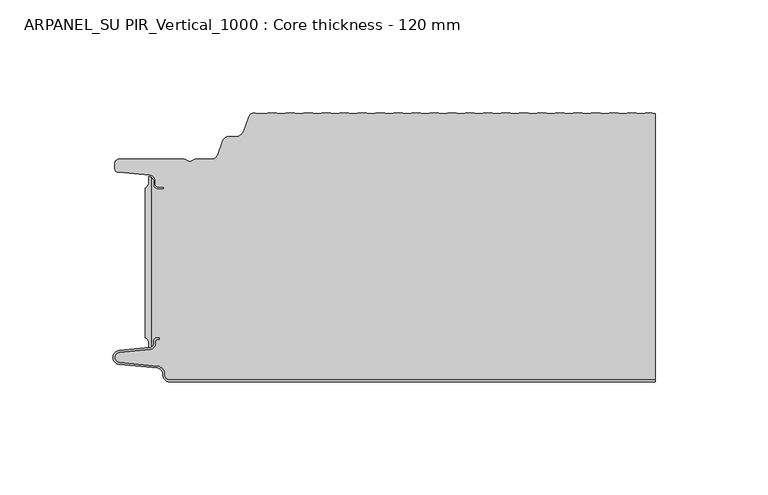
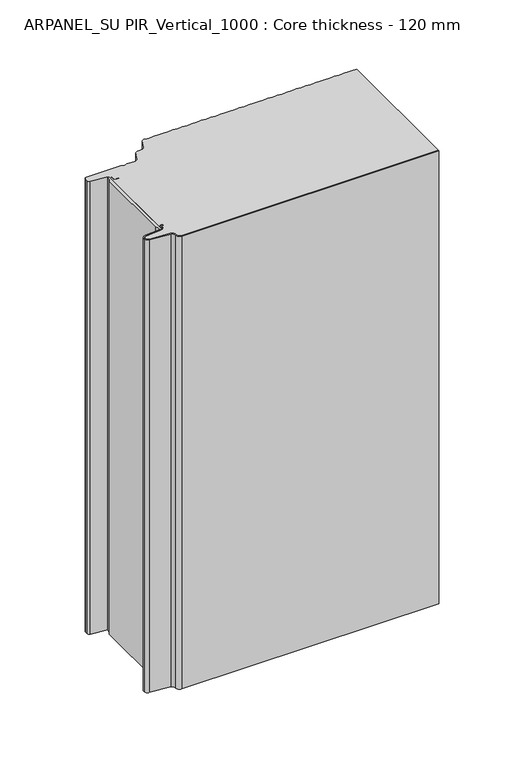
"""IFC4 building model written with IfcOpenShell, lengths in millimetres: plate geometry, ARPANEL_SU PIR_Vertical_1000 : Core thickness - 120 mm."""

from ifc_helpers import new_model, si_unit, point, frame, frame_2d, origin, origin_with_axes, place, context, project, spatial, polyline, circle_curve, trimmed, segment, composite_curve, outline, extrude, source, transform, mapped, element, save
from ifc_brep_helpers import plane_surface, cylinder_surface, revolved_surface, advanced_brep


def arpanel_su_pir_vertical_1000_core_thickness_120_mm_f43588a2(model_context):
    return source(origin(), model_context, "Body", "SolidModel", [
        extrude(outline(composite_curve([segment(polyline([(-105.6703125, -100.4998404), (-105.6703125, -34.0457975)]), True, "CONTINUOUS"), segment(trimmed(circle_curve(frame_2d((-106.6104834, -31.8050435)), 2.43), [point((-105.6703125, -34.0457975))], [point((-104.1827962, -31.6990483))], True, "CARTESIAN"), True, "CONTINUOUS"), segment(polyline([(-104.1827962, -31.6990483), (-104.1827962, -29.1072781)]), True, "CONTINUOUS"), segment(trimmed(circle_curve(frame_2d((-104.153332, -31.5658353)), 2.4587337), [point((-104.1827962, -29.1072781))], [point((-103.1249998, -29.3324736))], False, "CARTESIAN"), True, "CONTINUOUS"), segment(polyline([(-103.1249998, -29.3324736), (-103.1249998, -104.6039532)]), True, "CONTINUOUS"), segment(trimmed(circle_curve(frame_2d((-104.1687689, -102.3777641)), 2.4587337), [point((-103.1249998, -104.6039532))], [point((-104.1827962, -104.8364579))], False, "CARTESIAN"), True, "CONTINUOUS"), segment(polyline([(-104.1827962, -104.8364579), (-104.1827962, -102.8465895)]), True, "CONTINUOUS"), segment(trimmed(circle_curve(frame_2d((-106.6104834, -102.7405944)), 2.43), [point((-104.1827962, -102.8465895))], [point((-105.6703125, -100.4998404))], True, "CARTESIAN"), True, "CONTINUOUS")], self_intersect=False)), origin_with_axes(), (0.0, 0.0, 1.0), 400.0),
        advanced_brep(
        [(-94.8000003, -119.9996949, 0.0), (-97.9923632, -116.5787437, 0.0), (-100.2560431, -113.9171154, 0.0), (-117.2115315, -112.2546153, 0.0), (-119.9999998, -109.1776715, 0.0), (-117.2115315, -106.1007278, 0.0), (-103.6195785, -104.7680252, 0.0), (-101.9952277, -102.9766159, 0.0), (-101.9952277, -101.8996949, 0.0), (-100.5952277, -100.4996949, 0.0), (-99.4952277, -100.4996949, 0.0), (-99.4952277, -101.2996949, 0.0), (-100.5952277, -101.2996949, 0.0), (-101.1952277, -101.8996949, 0.0), (-101.1952277, -102.9766159, 0.0), (-103.5415122, -105.5642071, 0.0), (-117.1334652, -106.8969097, 0.0), (-119.1999997, -109.1776715, 0.0), (-117.1334652, -111.4584333, 0.0), (-100.1779767, -113.1209335, 0.0), (-97.2078761, -116.6330399, 0.0), (-94.8000003, -119.1996949, 0.0), (119.9999998, -119.2, 0.0), (119.9999998, -119.9996949, 0.0), (-94.8000003, -119.1996949, 400.0), (-97.1942724, -116.6339815, 400.0), (-100.1779767, -113.1209335, 400.0), (-117.1334652, -111.4584333, 400.0), (-119.1999997, -109.1776715, 400.0), (-117.1334652, -106.8969097, 400.0), (-103.5415122, -105.5642071, 400.0), (-101.1952277, -102.9766159, 400.0), (-101.1952277, -101.8996949, 400.0), (-100.5952277, -101.2996949, 400.0), (-99.4952277, -101.2996949, 400.0), (-99.4952277, -100.4996949, 400.0), (-100.5952277, -100.4996949, 400.0), (-101.9952277, -101.8996949, 400.0), (-101.9952277, -102.9766159, 400.0), (-103.6195785, -104.7680252, 400.0), (-117.2115315, -106.1007278, 400.0), (-119.9999998, -109.1776715, 400.0), (-117.2115315, -112.2546153, 400.0), (-100.2560431, -113.9171154, 400.0), (-98.0059668, -116.5778021, 400.0), (-94.8000003, -119.9996949, 400.0), (119.9999998, -119.9996949, 400.0), (119.9999998, -119.2, 400.0)],
        [
            (0, 1, circle_curve(frame((-94.8000003, -116.7996949, 0.0), z_axis=(0.0, 0.0, -1.0), x_axis=(1.0, 0.0, 0.0)), 3.2)),
            (1, 2, circle_curve(frame((-100.5000003, -116.4051839, 0.0), z_axis=(0.0, 0.0, 1.0), x_axis=(1.0, 0.0, 0.0)), 2.5)),
            (2, 3),
            (3, 4, circle_curve(frame((-116.9100003, -109.1793626, 0.0), z_axis=(0.0, 0.0, -1.0), x_axis=(1.0, 0.0, 0.0)), 3.09)),
            (4, 5, circle_curve(frame((-116.9100003, -109.1759805, 0.0), z_axis=(0.0, 0.0, -1.0), x_axis=(1.0, 0.0, 0.0)), 3.09)),
            (5, 6),
            (6, 7, circle_curve(frame((-103.7952277, -102.9766159, 0.0), z_axis=(0.0, 0.0, 1.0), x_axis=(1.0, 0.0, 0.0)), 1.8)),
            (7, 8),
            (8, 9, circle_curve(frame((-100.5952277, -101.8996949, 0.0), z_axis=(0.0, 0.0, -1.0), x_axis=(1.0, 0.0, 0.0)), 1.4)),
            (9, 10),
            (10, 11),
            (11, 12),
            (12, 13, circle_curve(frame((-100.5952277, -101.8996949, 0.0), z_axis=(0.0, 0.0, 1.0), x_axis=(1.0, 0.0, 0.0)), 0.6)),
            (13, 14),
            (14, 15, circle_curve(frame((-103.7952277, -102.9766159, 0.0), z_axis=(0.0, 0.0, -1.0), x_axis=(1.0, 0.0, 0.0)), 2.6)),
            (15, 16),
            (16, 17, circle_curve(frame((-116.9100003, -109.1759805, 0.0), z_axis=(0.0, 0.0, 1.0), x_axis=(1.0, 0.0, 0.0)), 2.29)),
            (17, 18, circle_curve(frame((-116.9100003, -109.1793626, 0.0), z_axis=(0.0, 0.0, 1.0), x_axis=(1.0, 0.0, 0.0)), 2.29)),
            (18, 19),
            (19, 20, circle_curve(frame((-100.5000003, -116.4051839, 0.0), z_axis=(0.0, 0.0, -1.0), x_axis=(1.0, 0.0, 0.0)), 3.3)),
            (20, 21, circle_curve(frame((-94.8000003, -116.7996949, 0.0), z_axis=(0.0, 0.0, 1.0), x_axis=(1.0, 0.0, 0.0)), 2.4)),
            (21, 22),
            (22, 23),
            (23, 0),
            (24, 25, circle_curve(frame((-94.8000003, -116.7996949, 400.0), z_axis=(0.0, 0.0, -1.0), x_axis=(1.0, 0.0, 0.0)), 2.4)),
            (25, 26, circle_curve(frame((-100.5000003, -116.4051839, 400.0), z_axis=(0.0, 0.0, 1.0), x_axis=(1.0, 0.0, 0.0)), 3.3)),
            (26, 27),
            (27, 28, circle_curve(frame((-116.9100003, -109.1793626, 400.0), z_axis=(0.0, 0.0, -1.0), x_axis=(1.0, 0.0, 0.0)), 2.29)),
            (28, 29, circle_curve(frame((-116.9100003, -109.1759805, 400.0), z_axis=(0.0, 0.0, -1.0), x_axis=(1.0, 0.0, 0.0)), 2.29)),
            (29, 30),
            (30, 31, circle_curve(frame((-103.7952277, -102.9766159, 400.0), z_axis=(0.0, 0.0, 1.0), x_axis=(1.0, 0.0, 0.0)), 2.6)),
            (31, 32),
            (32, 33, circle_curve(frame((-100.5952277, -101.8996949, 400.0), z_axis=(0.0, 0.0, -1.0), x_axis=(1.0, 0.0, 0.0)), 0.6)),
            (33, 34),
            (34, 35),
            (35, 36),
            (36, 37, circle_curve(frame((-100.5952277, -101.8996949, 400.0), z_axis=(0.0, 0.0, 1.0), x_axis=(1.0, 0.0, 0.0)), 1.4)),
            (37, 38),
            (38, 39, circle_curve(frame((-103.7952277, -102.9766159, 400.0), z_axis=(0.0, 0.0, -1.0), x_axis=(1.0, 0.0, 0.0)), 1.8)),
            (39, 40),
            (40, 41, circle_curve(frame((-116.9100003, -109.1759805, 400.0), z_axis=(0.0, 0.0, 1.0), x_axis=(1.0, 0.0, 0.0)), 3.09)),
            (41, 42, circle_curve(frame((-116.9100003, -109.1793626, 400.0), z_axis=(0.0, 0.0, 1.0), x_axis=(1.0, 0.0, 0.0)), 3.09)),
            (42, 43),
            (43, 44, circle_curve(frame((-100.5000003, -116.4051839, 400.0), z_axis=(0.0, 0.0, -1.0), x_axis=(1.0, 0.0, 0.0)), 2.5)),
            (44, 45, circle_curve(frame((-94.8000003, -116.7996949, 400.0), z_axis=(0.0, 0.0, 1.0), x_axis=(1.0, 0.0, 0.0)), 3.2)),
            (45, 46),
            (46, 47),
            (47, 24),
            (21, 24),
            (47, 22),
            (20, 25),
            (19, 26),
            (18, 27),
            (17, 28),
            (16, 29),
            (15, 30),
            (14, 31),
            (13, 32),
            (12, 33),
            (11, 34),
            (10, 35),
            (9, 36),
            (8, 37),
            (7, 38),
            (6, 39),
            (5, 40),
            (4, 41),
            (3, 42),
            (2, 43),
            (1, 44),
            (0, 45),
            (23, 46),
        ],
        [
            plane_surface(frame((-119.9999998, -120.0, 0.0), z_axis=(0.0, 0.0, -1.0), x_axis=(0.0, 1.0, 0.0))),
            plane_surface(frame((-119.9999998, -120.0, 400.0), z_axis=(0.0, 0.0, 1.0), x_axis=(0.0, 1.0, 0.0))),
            plane_surface(frame((-94.8000003, -119.2, 0.0), z_axis=(0.0, 1.0, 0.0), x_axis=(0.0, 0.0, 1.0))),
            revolved_surface(polyline([(-92.40000029999999, -116.7996949, 400.0), (-92.40000029999999, -116.7996949, 0.0)]), (-94.8000003, -116.7996949, 0.0), (0.0, 0.0, 1.0)),
            cylinder_surface(frame((-100.5000003, -116.4051839, 0.0), z_axis=(0.0, 0.0, -1.0), x_axis=(1.0, 0.0, 0.0)), 3.3),
            plane_surface(frame((-117.1334652, -111.4584333, 0.0), z_axis=(0.09758289975914758, 0.9952273999818314, 0.0), x_axis=(0.0, 0.0, 1.0))),
            revolved_surface(polyline([(-114.62000029999999, -109.1793626, 400.0), (-114.62000029999999, -109.1793626, 0.0)]), (-116.9100003, -109.1793626, 0.0), (0.0, 0.0, 1.0)),
            revolved_surface(polyline([(-114.62000029999999, -109.1759805, 400.0), (-114.62000029999999, -109.1759805, 0.0)]), (-116.9100003, -109.1759805, 0.0), (0.0, 0.0, 1.0)),
            plane_surface(frame((-103.5415122, -105.5642071, 0.0), z_axis=(0.09758289975914383, -0.9952273999818317, 0.0), x_axis=(0.0, 0.0, 1.0))),
            cylinder_surface(frame((-103.7952277, -102.9766159, 0.0), z_axis=(0.0, 0.0, -1.0), x_axis=(1.0, 0.0, 0.0)), 2.6),
            plane_surface(frame((-101.1952277, -101.8996949, 0.0), z_axis=(1.0, 0.0, 0.0), x_axis=(0.0, 0.0, 1.0))),
            revolved_surface(polyline([(-99.9952277, -101.8996949, 400.0), (-99.9952277, -101.8996949, 0.0)]), (-100.5952277, -101.8996949, 0.0), (0.0, 0.0, 1.0)),
            plane_surface(frame((-99.4952277, -101.2996949, 0.0), z_axis=(0.0, -1.0, 0.0), x_axis=(0.0, 0.0, 1.0))),
            plane_surface(frame((-99.4952277, -100.4996949, 0.0), z_axis=(1.0, 0.0, 0.0), x_axis=(0.0, 0.0, 1.0))),
            plane_surface(frame((-100.5952277, -100.4996949, 0.0), z_axis=(0.0, 1.0, 0.0), x_axis=(0.0, 0.0, 1.0))),
            cylinder_surface(frame((-100.5952277, -101.8996949, 0.0), z_axis=(0.0, 0.0, -1.0), x_axis=(1.0, 0.0, 0.0)), 1.4),
            plane_surface(frame((-101.9952277, -102.9766159, 0.0), z_axis=(-1.0, 0.0, 0.0), x_axis=(0.0, 0.0, 1.0))),
            revolved_surface(polyline([(-101.9952277, -102.9766159, 400.0), (-101.9952277, -102.9766159, 0.0)]), (-103.7952277, -102.9766159, 0.0), (0.0, 0.0, 1.0)),
            plane_surface(frame((-117.2115315, -106.1007278, 0.0), z_axis=(-0.09758289975914387, 0.9952273999818317, 0.0), x_axis=(0.0, 0.0, 1.0))),
            cylinder_surface(frame((-116.9100003, -109.1759805, 0.0), z_axis=(0.0, 0.0, -1.0), x_axis=(1.0, 0.0, 0.0)), 3.09),
            cylinder_surface(frame((-116.9100003, -109.1793626, 0.0), z_axis=(0.0, 0.0, -1.0), x_axis=(1.0, 0.0, 0.0)), 3.09),
            plane_surface(frame((-100.2560431, -113.9171154, 0.0), z_axis=(-0.09758289975914762, -0.9952273999818314, 0.0), x_axis=(0.0, 0.0, 1.0))),
            revolved_surface(polyline([(-98.0000003, -116.4051839, 400.0), (-98.0000003, -116.4051839, 0.0)]), (-100.5000003, -116.4051839, 0.0), (0.0, 0.0, 1.0)),
            cylinder_surface(frame((-94.8000003, -116.7996949, 0.0), z_axis=(0.0, 0.0, -1.0), x_axis=(1.0, 0.0, 0.0)), 3.2),
            plane_surface(frame((895.8951806, -119.9996949, 0.0), z_axis=(0.0, -1.0, 0.0), x_axis=(0.0, 0.0, 1.0))),
            plane_surface(frame((119.9999998, 180.0, 400.0), z_axis=(1.0, 0.0, 0.0), x_axis=(0.0, 0.0, -1.0))),
        ],
        [
            (0, [[1, 2, 3, 4, 5, 6, 7, 8, 9, 10, 11, 12, 13, 14, 15, 16, 17, 18, 19, 20, 21, 22, 23, 24]]),
            (1, [[25, 26, 27, 28, 29, 30, 31, 32, 33, 34, 35, 36, 37, 38, 39, 40, 41, 42, 43, 44, 45, 46, 47, 48]]),
            (2, [[49, -48, 50, -22]]),
            (3, [[-21, 51, -25, -49]]),
            (4, [[-20, 52, -26, -51]]),
            (5, [[-19, 53, -27, -52]]),
            (6, [[-18, 54, -28, -53]]),
            (7, [[-17, 55, -29, -54]]),
            (8, [[-16, 56, -30, -55]]),
            (9, [[-15, 57, -31, -56]]),
            (10, [[-14, 58, -32, -57]]),
            (11, [[-13, 59, -33, -58]]),
            (12, [[-12, 60, -34, -59]]),
            (13, [[-11, 61, -35, -60]]),
            (14, [[-10, 62, -36, -61]]),
            (15, [[-9, 63, -37, -62]]),
            (16, [[-8, 64, -38, -63]]),
            (17, [[-7, 65, -39, -64]]),
            (18, [[-6, 66, -40, -65]]),
            (19, [[-5, 67, -41, -66]]),
            (20, [[-4, 68, -42, -67]]),
            (21, [[-3, 69, -43, -68]]),
            (22, [[-2, 70, -44, -69]]),
            (23, [[-1, 71, -45, -70]]),
            (24, [[-71, -24, 72, -46]]),
            (25, [[-23, -50, -47, -72]]),
        ],
    ),
        advanced_brep(
        [(-45.4209945, -1.2401608, 400.0), (-49.3959945, -0.7842469, 400.0), (-53.3709945, -1.2401608, 400.0), (-56.974295, -0.8268791, 400.0), (-59.9575556, -2.6832307, 400.0), (-62.1915348, -8.821038, 400.0), (-65.8165278, -11.3209755, 400.0), (-68.7504363, -11.3209755, 400.0), (-71.4097075, -13.1828966, 400.0), (-73.7017226, -19.4789642, 400.0), (-76.3328037, -21.3211477, 400.0), (-83.355028, -21.3211477, 400.0), (-84.4794723, -21.7461477, 400.0), (-87.5220864, -21.7461477, 400.0), (-88.6465307, -21.3211477, 400.0), (-117.3699998, -21.3211477, 400.0), (-119.1999998, -23.1511477, 400.0), (-119.1999998, -25.314536, 400.0), (-117.5294949, -27.1375723, 400.0), (-103.7559637, -28.3426003, 400.0), (-101.1999998, -31.1319454, 400.0), (-101.1999998, -32.5211477, 400.0), (-99.9999998, -33.7211477, 400.0), (-97.4999998, -33.7211477, 400.0), (-97.4999998, -34.5211477, 400.0), (-99.9999998, -34.5211477, 400.0), (-101.9999998, -32.5211477, 400.0), (-101.9999998, -31.1319454, 400.0), (-103.1249998, -29.3335086, 400.0), (-103.1249998, -104.647183, 400.0), (-101.9952277, -102.9766159, 400.0), (-101.9952277, -101.8996949, 400.0), (-100.5952277, -100.4996949, 400.0), (-99.4952277, -100.4996949, 400.0), (-99.4952277, -101.2996949, 400.0), (-100.5952277, -101.2996949, 400.0), (-101.1952277, -101.8996949, 400.0), (-101.1952277, -102.9766159, 400.0), (-103.5415122, -105.5642071, 400.0), (-117.1334652, -106.8969097, 400.0), (-119.1999997, -109.1776715, 400.0), (-117.1334652, -111.4584333, 400.0), (-100.1779767, -113.1209335, 400.0), (-97.2078761, -116.6330399, 400.0), (-94.8000003, -119.1996949, 400.0), (119.9999998, -119.2, 400.0), (119.9999998, -1.064791, 400.0), (117.5540055, -0.7842469, 400.0), (113.5790055, -1.2401608, 400.0), (109.6040055, -0.7842469, 400.0), (105.6290055, -1.2401608, 400.0), (101.6540055, -0.7842469, 400.0), (97.6790055, -1.2401608, 400.0), (93.7040055, -0.7842469, 400.0), (89.7290055, -1.2401608, 400.0), (85.7540055, -0.7842469, 400.0), (81.7790055, -1.2401608, 400.0), (77.8040055, -0.7842469, 400.0), (73.8290055, -1.2401608, 400.0), (69.8540055, -0.7842469, 400.0), (65.8790055, -1.2401608, 400.0), (61.9040055, -0.7842469, 400.0), (57.9290055, -1.2401608, 400.0), (53.9540055, -0.7842469, 400.0), (49.9790055, -1.2401608, 400.0), (46.0040055, -0.7842469, 400.0), (42.0290055, -1.2401608, 400.0), (38.0540055, -0.7842469, 400.0), (34.0790055, -1.2401608, 400.0), (30.1040055, -0.7842469, 400.0), (26.1290055, -1.2401608, 400.0), (22.1540055, -0.7842469, 400.0), (18.1790055, -1.2401608, 400.0), (14.2040055, -0.7842469, 400.0), (10.2290055, -1.2401608, 400.0), (6.2540055, -0.7842469, 400.0), (2.2790055, -1.2401608, 400.0), (-1.6959945, -0.7842469, 400.0), (-5.6709945, -1.2401608, 400.0), (-9.6459945, -0.7842469, 400.0), (-13.6209945, -1.2401608, 400.0), (-17.5959945, -0.7842469, 400.0), (-21.5709945, -1.2401608, 400.0), (-25.5459945, -0.7842469, 400.0), (-29.5209945, -1.2401608, 400.0), (-33.4959945, -0.7842469, 400.0), (-37.4709945, -1.2401608, 400.0), (-41.4459945, -0.7842469, 400.0), (-49.3959945, -0.7842469, 0.0), (-45.4209945, -1.2401608, 0.0), (-41.4459945, -0.7842469, 0.0), (-37.4709945, -1.2401608, 0.0), (-33.4959945, -0.7842469, 0.0), (-29.5209945, -1.2401608, 0.0), (-25.5459945, -0.7842469, 0.0), (-21.5709945, -1.2401608, 0.0), (-17.5959945, -0.7842469, 0.0), (-13.6209945, -1.2401608, 0.0), (-9.6459945, -0.7842469, 0.0), (-5.6709945, -1.2401608, 0.0), (-1.6959945, -0.7842469, 0.0), (2.2790055, -1.2401608, 0.0), (6.2540055, -0.7842469, 0.0), (10.2290055, -1.2401608, 0.0), (14.2040055, -0.7842469, 0.0), (18.1790055, -1.2401608, 0.0), (22.1540055, -0.7842469, 0.0), (26.1290055, -1.2401608, 0.0), (30.1040055, -0.7842469, 0.0), (34.0790055, -1.2401608, 0.0), (38.0540055, -0.7842469, 0.0), (42.0290055, -1.2401608, 0.0), (46.0040055, -0.7842469, 0.0), (49.9790055, -1.2401608, 0.0), (53.9540055, -0.7842469, 0.0), (57.9290055, -1.2401608, 0.0), (61.9040055, -0.7842469, 0.0), (65.8790055, -1.2401608, 0.0), (69.8540055, -0.7842469, 0.0), (73.8290055, -1.2401608, 0.0), (77.8040055, -0.7842469, 0.0), (81.7790055, -1.2401608, 0.0), (85.7540055, -0.7842469, 0.0), (89.7290055, -1.2401608, 0.0), (93.7040055, -0.7842469, 0.0), (97.6790055, -1.2401608, 0.0), (101.6540055, -0.7842469, 0.0), (105.6290055, -1.2401608, 0.0), (109.6040055, -0.7842469, 0.0), (113.5790055, -1.2401608, 0.0), (117.5540055, -0.7842469, 0.0), (119.9999998, -1.064791, 0.0), (119.9999998, -119.2, 0.0), (-94.8000003, -119.2, 0.0), (-97.1942724, -116.6339815, 0.0), (-100.1779767, -113.1209335, 0.0), (-117.1334652, -111.4584333, 0.0), (-119.1999997, -109.1776715, 0.0), (-117.1334652, -106.8969097, 0.0), (-103.5415122, -105.5642071, 0.0), (-101.1952277, -102.9766159, 0.0), (-101.1952277, -101.8996949, 0.0), (-100.5952277, -101.2996949, 0.0), (-99.4952277, -101.2996949, 0.0), (-99.4952277, -100.4996949, 0.0), (-100.5952277, -100.4996949, 0.0), (-101.9952277, -101.8996949, 0.0), (-101.9952277, -102.9766159, 0.0), (-103.1249998, -104.647183, 0.0), (-103.1249998, -29.3335086, 0.0), (-101.9999998, -31.1319454, 0.0), (-101.9999998, -32.5211477, 0.0), (-99.9999998, -34.5211477, 0.0), (-97.4999998, -34.5211477, 0.0), (-97.4999998, -33.7211477, 0.0), (-99.9999998, -33.7211477, 0.0), (-101.1999998, -32.5211477, 0.0), (-101.1999998, -31.1319454, 0.0), (-103.7559637, -28.3426003, 0.0), (-117.5294949, -27.1375723, 0.0), (-119.1999998, -25.314536, 0.0), (-119.1999998, -23.1511477, 0.0), (-117.3699998, -21.3211477, 0.0), (-88.6465307, -21.3211477, 0.0), (-87.5220864, -21.7461477, 0.0), (-84.4794723, -21.7461477, 0.0), (-83.355028, -21.3211477, 0.0), (-76.3328037, -21.3211477, 0.0), (-73.7017226, -19.4789642, 0.0), (-71.4097075, -13.1828966, 0.0), (-68.7504363, -11.3209755, 0.0), (-65.8165278, -11.3209755, 0.0), (-62.1915348, -8.821038, 0.0), (-59.9575556, -2.6832307, 0.0), (-56.9757518, -0.8395804, 0.0), (-53.3709945, -1.2401608, 0.0)],
        [
            (0, 1),
            (1, 2),
            (2, 3),
            (3, 4, circle_curve(frame((-57.2982255, -3.6511477, 400.0), z_axis=(0.0, 0.0, 1.0), x_axis=(1.0, 0.0, 0.0)), 2.83)),
            (4, 5),
            (5, 6, circle_curve(frame((-65.7623667, -7.5213615, 400.0), z_axis=(0.0, 0.0, -1.0), x_axis=(1.0, 0.0, 0.0)), 3.8)),
            (6, 7),
            (7, 8, circle_curve(frame((-68.7504363, -14.1509755, 400.0), z_axis=(0.0, 0.0, 1.0), x_axis=(1.0, 0.0, 0.0)), 2.83)),
            (8, 9),
            (9, 10, circle_curve(frame((-76.3328037, -18.5211477, 400.0), z_axis=(0.0, 0.0, -1.0), x_axis=(1.0, 0.0, 0.0)), 2.8)),
            (10, 11),
            (11, 12, circle_curve(frame((-83.355028, -23.0211477, 400.0), z_axis=(0.0, 0.0, 1.0), x_axis=(1.0, 0.0, 0.0)), 1.7)),
            (12, 13, circle_curve(frame((-86.0007794, -20.0211477, 400.0), z_axis=(0.0, 0.0, -1.0), x_axis=(1.0, 0.0, 0.0)), 2.3)),
            (13, 14, circle_curve(frame((-88.6465307, -23.0211477, 400.0), z_axis=(0.0, 0.0, 1.0), x_axis=(1.0, 0.0, 0.0)), 1.7)),
            (14, 15),
            (15, 16, circle_curve(frame((-117.3699998, -23.1511477, 400.0), z_axis=(0.0, 0.0, 1.0), x_axis=(1.0, 0.0, 0.0)), 1.83)),
            (16, 17),
            (17, 18, circle_curve(frame((-117.3699998, -25.314536, 400.0), z_axis=(0.0, 0.0, 1.0), x_axis=(1.0, 0.0, 0.0)), 1.83)),
            (18, 19),
            (19, 20, circle_curve(frame((-103.9999998, -31.1319454, 400.0), z_axis=(0.0, 0.0, -1.0), x_axis=(1.0, 0.0, 0.0)), 2.8)),
            (20, 21),
            (21, 22, circle_curve(frame((-99.9999998, -32.5211477, 400.0), z_axis=(0.0, 0.0, 1.0), x_axis=(1.0, 0.0, 0.0)), 1.2)),
            (22, 23),
            (23, 24),
            (24, 25),
            (25, 26, circle_curve(frame((-99.9999998, -32.5211477, 400.0), z_axis=(0.0, 0.0, -1.0), x_axis=(1.0, 0.0, 0.0)), 2.0)),
            (26, 27),
            (27, 28, circle_curve(frame((-103.9999998, -31.1319454, 400.0), z_axis=(0.0, 0.0, 1.0), x_axis=(1.0, 0.0, 0.0)), 2.0)),
            (28, 29),
            (29, 30, circle_curve(frame((-103.7952277, -102.9766159, 400.0), z_axis=(0.0, 0.0, 1.0), x_axis=(1.0, 0.0, 0.0)), 1.8)),
            (30, 31),
            (31, 32, circle_curve(frame((-100.5952277, -101.8996949, 400.0), z_axis=(0.0, 0.0, -1.0), x_axis=(1.0, 0.0, 0.0)), 1.4)),
            (32, 33),
            (33, 34),
            (34, 35),
            (35, 36, circle_curve(frame((-100.5952277, -101.8996949, 400.0), z_axis=(0.0, 0.0, 1.0), x_axis=(1.0, 0.0, 0.0)), 0.6)),
            (36, 37),
            (37, 38, circle_curve(frame((-103.7952277, -102.9766159, 400.0), z_axis=(0.0, 0.0, -1.0), x_axis=(1.0, 0.0, 0.0)), 2.6)),
            (38, 39),
            (39, 40, circle_curve(frame((-116.9100003, -109.1759805, 400.0), z_axis=(0.0, 0.0, 1.0), x_axis=(1.0, 0.0, 0.0)), 2.29)),
            (40, 41, circle_curve(frame((-116.9100003, -109.1793626, 400.0), z_axis=(0.0, 0.0, 1.0), x_axis=(1.0, 0.0, 0.0)), 2.29)),
            (41, 42),
            (42, 43, circle_curve(frame((-100.5000003, -116.4051839, 400.0), z_axis=(0.0, 0.0, -1.0), x_axis=(1.0, 0.0, 0.0)), 3.3)),
            (43, 44, circle_curve(frame((-94.8000003, -116.7996949, 400.0), z_axis=(0.0, 0.0, 1.0), x_axis=(1.0, 0.0, 0.0)), 2.4)),
            (44, 45),
            (45, 46),
            (46, 47),
            (47, 48),
            (48, 49),
            (49, 50),
            (50, 51),
            (51, 52),
            (52, 53),
            (53, 54),
            (54, 55),
            (55, 56),
            (56, 57),
            (57, 58),
            (58, 59),
            (59, 60),
            (60, 61),
            (61, 62),
            (62, 63),
            (63, 64),
            (64, 65),
            (65, 66),
            (66, 67),
            (67, 68),
            (68, 69),
            (69, 70),
            (70, 71),
            (71, 72),
            (72, 73),
            (73, 74),
            (74, 75),
            (75, 76),
            (76, 77),
            (77, 78),
            (78, 79),
            (79, 80),
            (80, 81),
            (81, 82),
            (82, 83),
            (83, 84),
            (84, 85),
            (85, 86),
            (86, 87),
            (87, 0),
            (88, 89),
            (89, 90),
            (90, 91),
            (91, 92),
            (92, 93),
            (93, 94),
            (94, 95),
            (95, 96),
            (96, 97),
            (97, 98),
            (98, 99),
            (99, 100),
            (100, 101),
            (101, 102),
            (102, 103),
            (103, 104),
            (104, 105),
            (105, 106),
            (106, 107),
            (107, 108),
            (108, 109),
            (109, 110),
            (110, 111),
            (111, 112),
            (112, 113),
            (113, 114),
            (114, 115),
            (115, 116),
            (116, 117),
            (117, 118),
            (118, 119),
            (119, 120),
            (120, 121),
            (121, 122),
            (122, 123),
            (123, 124),
            (124, 125),
            (125, 126),
            (126, 127),
            (127, 128),
            (128, 129),
            (129, 130),
            (130, 131),
            (131, 132),
            (132, 133),
            (133, 134, circle_curve(frame((-94.8000003, -116.7996949, 0.0), z_axis=(0.0, 0.0, -1.0), x_axis=(1.0, 0.0, 0.0)), 2.4)),
            (134, 135, circle_curve(frame((-100.5000003, -116.4051839, 0.0), z_axis=(0.0, 0.0, 1.0), x_axis=(1.0, 0.0, 0.0)), 3.3)),
            (135, 136),
            (136, 137, circle_curve(frame((-116.9100003, -109.1793626, 0.0), z_axis=(0.0, 0.0, -1.0), x_axis=(1.0, 0.0, 0.0)), 2.29)),
            (137, 138, circle_curve(frame((-116.9100003, -109.1759805, 0.0), z_axis=(0.0, 0.0, -1.0), x_axis=(1.0, 0.0, 0.0)), 2.29)),
            (138, 139),
            (139, 140, circle_curve(frame((-103.7952277, -102.9766159, 0.0), z_axis=(0.0, 0.0, 1.0), x_axis=(1.0, 0.0, 0.0)), 2.6)),
            (140, 141),
            (141, 142, circle_curve(frame((-100.5952277, -101.8996949, 0.0), z_axis=(0.0, 0.0, -1.0), x_axis=(1.0, 0.0, 0.0)), 0.6)),
            (142, 143),
            (143, 144),
            (144, 145),
            (145, 146, circle_curve(frame((-100.5952277, -101.8996949, 0.0), z_axis=(0.0, 0.0, 1.0), x_axis=(1.0, 0.0, 0.0)), 1.4)),
            (146, 147),
            (147, 148, circle_curve(frame((-103.7952277, -102.9766159, 0.0), z_axis=(0.0, 0.0, -1.0), x_axis=(1.0, 0.0, 0.0)), 1.8)),
            (148, 149),
            (149, 150, circle_curve(frame((-103.9999998, -31.1319454, 0.0), z_axis=(0.0, 0.0, -1.0), x_axis=(1.0, 0.0, 0.0)), 2.0)),
            (150, 151),
            (151, 152, circle_curve(frame((-99.9999998, -32.5211477, 0.0), z_axis=(0.0, 0.0, 1.0), x_axis=(1.0, 0.0, 0.0)), 2.0)),
            (152, 153),
            (153, 154),
            (154, 155),
            (155, 156, circle_curve(frame((-99.9999998, -32.5211477, 0.0), z_axis=(0.0, 0.0, -1.0), x_axis=(1.0, 0.0, 0.0)), 1.2)),
            (156, 157),
            (157, 158, circle_curve(frame((-103.9999998, -31.1319454, 0.0), z_axis=(0.0, 0.0, 1.0), x_axis=(1.0, 0.0, 0.0)), 2.8)),
            (158, 159),
            (159, 160, circle_curve(frame((-117.3699998, -25.314536, 0.0), z_axis=(0.0, 0.0, -1.0), x_axis=(1.0, 0.0, 0.0)), 1.83)),
            (160, 161),
            (161, 162, circle_curve(frame((-117.3699998, -23.1511477, 0.0), z_axis=(0.0, 0.0, -1.0), x_axis=(1.0, 0.0, 0.0)), 1.83)),
            (162, 163),
            (163, 164, circle_curve(frame((-88.6465307, -23.0211477, 0.0), z_axis=(0.0, 0.0, -1.0), x_axis=(1.0, 0.0, 0.0)), 1.7)),
            (164, 165, circle_curve(frame((-86.0007794, -20.0211477, 0.0), z_axis=(0.0, 0.0, 1.0), x_axis=(1.0, 0.0, 0.0)), 2.3)),
            (165, 166, circle_curve(frame((-83.355028, -23.0211477, 0.0), z_axis=(0.0, 0.0, -1.0), x_axis=(1.0, 0.0, 0.0)), 1.7)),
            (166, 167),
            (167, 168, circle_curve(frame((-76.3328037, -18.5211477, 0.0), z_axis=(0.0, 0.0, 1.0), x_axis=(1.0, 0.0, 0.0)), 2.8)),
            (168, 169),
            (169, 170, circle_curve(frame((-68.7504363, -14.1509755, 0.0), z_axis=(0.0, 0.0, -1.0), x_axis=(1.0, 0.0, 0.0)), 2.83)),
            (170, 171),
            (171, 172, circle_curve(frame((-65.7623667, -7.5213615, 0.0), z_axis=(0.0, 0.0, 1.0), x_axis=(1.0, 0.0, 0.0)), 3.8)),
            (172, 173),
            (173, 174, circle_curve(frame((-57.2982255, -3.6511477, 0.0), z_axis=(0.0, 0.0, -1.0), x_axis=(1.0, 0.0, 0.0)), 2.83)),
            (174, 175),
            (175, 88),
            (28, 149),
            (148, 29),
            (88, 1),
            (0, 89),
            (87, 90),
            (86, 91),
            (85, 92),
            (84, 93),
            (83, 94),
            (82, 95),
            (81, 96),
            (80, 97),
            (79, 98),
            (78, 99),
            (77, 100),
            (76, 101),
            (75, 102),
            (74, 103),
            (73, 104),
            (72, 105),
            (71, 106),
            (70, 107),
            (69, 108),
            (68, 109),
            (67, 110),
            (66, 111),
            (65, 112),
            (64, 113),
            (63, 114),
            (62, 115),
            (61, 116),
            (60, 117),
            (59, 118),
            (58, 119),
            (57, 120),
            (56, 121),
            (55, 122),
            (54, 123),
            (53, 124),
            (52, 125),
            (51, 126),
            (50, 127),
            (49, 128),
            (48, 129),
            (47, 130),
            (46, 131),
            (151, 26),
            (25, 152),
            (24, 153),
            (23, 154),
            (22, 155),
            (21, 156),
            (20, 157),
            (19, 158),
            (18, 159),
            (17, 160),
            (16, 161),
            (15, 162),
            (14, 163),
            (13, 164),
            (12, 165),
            (11, 166),
            (10, 167),
            (9, 168),
            (8, 169),
            (7, 170),
            (6, 171),
            (5, 172),
            (4, 173),
            (3, 174),
            (2, 175),
            (44, 133),
            (132, 45),
            (43, 134),
            (42, 135),
            (41, 136),
            (40, 137),
            (39, 138),
            (38, 139),
            (37, 140),
            (36, 141),
            (35, 142),
            (34, 143),
            (33, 144),
            (32, 145),
            (31, 146),
            (30, 147),
            (27, 150),
        ],
        [
            plane_surface(frame((-119.9999998, 0.0, 400.0), z_axis=(0.0, 0.0, 1.0), x_axis=(0.0, -1.0, 0.0))),
            plane_surface(frame((-119.9999998, 0.0, 0.0), z_axis=(0.0, 0.0, -1.0), x_axis=(0.0, -1.0, 0.0))),
            plane_surface(frame((-103.1249998, -28.75, 400.0), z_axis=(-1.0, 0.0, 0.0), x_axis=(0.0, 0.0, -1.0))),
            plane_surface(frame((-49.3959945, -0.7842469, 530.0), z_axis=(0.1139482930581638, 0.9934866815962511, 0.0), x_axis=(0.0, 0.0, -1.0))),
            plane_surface(frame((-45.4209945, -1.2401608, 530.0), z_axis=(-0.11394829338954408, 0.9934866815582434, 0.0), x_axis=(0.0, 0.0, -1.0))),
            plane_surface(frame((-41.4459945, -0.7842469, 530.0), z_axis=(0.11394829338946497, 0.9934866815582525, 0.0), x_axis=(0.0, 0.0, -1.0))),
            plane_surface(frame((-37.4709945, -1.2401608, 530.0), z_axis=(-0.11394829305824292, 0.9934866815962421, 0.0), x_axis=(0.0, 0.0, -1.0))),
            plane_surface(frame((-33.4959945, -0.7842469, 530.0), z_axis=(0.1139482930581638, 0.9934866815962511, 0.0), x_axis=(0.0, 0.0, -1.0))),
            plane_surface(frame((-29.5209945, -1.2401608, 530.0), z_axis=(-0.11394829338954408, 0.9934866815582434, 0.0), x_axis=(0.0, 0.0, -1.0))),
            plane_surface(frame((-25.5459945, -0.7842469, 530.0), z_axis=(0.11394829338946497, 0.9934866815582525, 0.0), x_axis=(0.0, 0.0, -1.0))),
            plane_surface(frame((-21.5709945, -1.2401608, 530.0), z_axis=(-0.11394829305824292, 0.9934866815962421, 0.0), x_axis=(0.0, 0.0, -1.0))),
            plane_surface(frame((-17.5959945, -0.7842469, 530.0), z_axis=(0.1139482930581638, 0.9934866815962511, 0.0), x_axis=(0.0, 0.0, -1.0))),
            plane_surface(frame((-13.6209945, -1.2401608, 530.0), z_axis=(-0.11394829338954408, 0.9934866815582434, 0.0), x_axis=(0.0, 0.0, -1.0))),
            plane_surface(frame((-9.6459945, -0.7842469, 530.0), z_axis=(0.11394829338946497, 0.9934866815582525, 0.0), x_axis=(0.0, 0.0, -1.0))),
            plane_surface(frame((-5.6709945, -1.2401608, 530.0), z_axis=(-0.11394829305824292, 0.9934866815962421, 0.0), x_axis=(0.0, 0.0, -1.0))),
            plane_surface(frame((-1.6959945, -0.7842469, 530.0), z_axis=(0.1139482930581638, 0.9934866815962511, 0.0), x_axis=(0.0, 0.0, -1.0))),
            plane_surface(frame((2.2790055, -1.2401608, 530.0), z_axis=(-0.11394829338954408, 0.9934866815582434, 0.0), x_axis=(0.0, 0.0, -1.0))),
            plane_surface(frame((6.2540055, -0.7842469, 530.0), z_axis=(0.11394829338946497, 0.9934866815582525, 0.0), x_axis=(0.0, 0.0, -1.0))),
            plane_surface(frame((10.2290055, -1.2401608, 530.0), z_axis=(-0.11394829305824292, 0.9934866815962421, 0.0), x_axis=(0.0, 0.0, -1.0))),
            plane_surface(frame((14.2040055, -0.7842469, 530.0), z_axis=(0.1139482930581638, 0.9934866815962511, 0.0), x_axis=(0.0, 0.0, -1.0))),
            plane_surface(frame((18.1790055, -1.2401608, 530.0), z_axis=(-0.11394829338954408, 0.9934866815582434, 0.0), x_axis=(0.0, 0.0, -1.0))),
            plane_surface(frame((22.1540055, -0.7842469, 530.0), z_axis=(0.11394829338946497, 0.9934866815582525, 0.0), x_axis=(0.0, 0.0, -1.0))),
            plane_surface(frame((26.1290055, -1.2401608, 530.0), z_axis=(-0.11394829305824292, 0.9934866815962421, 0.0), x_axis=(0.0, 0.0, -1.0))),
            plane_surface(frame((30.1040055, -0.7842469, 530.0), z_axis=(0.1139482930581638, 0.9934866815962511, 0.0), x_axis=(0.0, 0.0, -1.0))),
            plane_surface(frame((34.0790055, -1.2401608, 530.0), z_axis=(-0.11394829305824292, 0.9934866815962421, 0.0), x_axis=(0.0, 0.0, -1.0))),
            plane_surface(frame((38.0540055, -0.7842469, 530.0), z_axis=(0.1139482930581638, 0.9934866815962511, 0.0), x_axis=(0.0, 0.0, -1.0))),
            plane_surface(frame((42.0290055, -1.2401608, 530.0), z_axis=(-0.11394829338954408, 0.9934866815582434, 0.0), x_axis=(0.0, 0.0, -1.0))),
            plane_surface(frame((46.0040055, -0.7842469, 530.0), z_axis=(0.11394829338946497, 0.9934866815582525, 0.0), x_axis=(0.0, 0.0, -1.0))),
            plane_surface(frame((49.9790055, -1.2401608, 530.0), z_axis=(-0.11394829305824292, 0.9934866815962421, 0.0), x_axis=(0.0, 0.0, -1.0))),
            plane_surface(frame((53.9540055, -0.7842469, 530.0), z_axis=(0.1139482930581638, 0.9934866815962511, 0.0), x_axis=(0.0, 0.0, -1.0))),
            plane_surface(frame((57.9290055, -1.2401608, 530.0), z_axis=(-0.11394829338954408, 0.9934866815582434, 0.0), x_axis=(0.0, 0.0, -1.0))),
            plane_surface(frame((61.9040055, -0.7842469, 530.0), z_axis=(0.11394829338946497, 0.9934866815582525, 0.0), x_axis=(0.0, 0.0, -1.0))),
            plane_surface(frame((65.8790055, -1.2401608, 530.0), z_axis=(-0.11394829305824292, 0.9934866815962421, 0.0), x_axis=(0.0, 0.0, -1.0))),
            plane_surface(frame((69.8540055, -0.7842469, 530.0), z_axis=(0.1139482930581638, 0.9934866815962511, 0.0), x_axis=(0.0, 0.0, -1.0))),
            plane_surface(frame((73.8290055, -1.2401608, 530.0), z_axis=(-0.11394829338954408, 0.9934866815582434, 0.0), x_axis=(0.0, 0.0, -1.0))),
            plane_surface(frame((77.8040055, -0.7842469, 530.0), z_axis=(0.11394829338946497, 0.9934866815582525, 0.0), x_axis=(0.0, 0.0, -1.0))),
            plane_surface(frame((81.7790055, -1.2401608, 530.0), z_axis=(-0.11394829305824292, 0.9934866815962421, 0.0), x_axis=(0.0, 0.0, -1.0))),
            plane_surface(frame((85.7540055, -0.7842469, 530.0), z_axis=(0.1139482930581638, 0.9934866815962511, 0.0), x_axis=(0.0, 0.0, -1.0))),
            plane_surface(frame((89.7290055, -1.2401608, 530.0), z_axis=(-0.11394829338954408, 0.9934866815582434, 0.0), x_axis=(0.0, 0.0, -1.0))),
            plane_surface(frame((93.7040055, -0.7842469, 530.0), z_axis=(0.11394829338946497, 0.9934866815582525, 0.0), x_axis=(0.0, 0.0, -1.0))),
            plane_surface(frame((97.6790055, -1.2401608, 530.0), z_axis=(-0.11394829305824292, 0.9934866815962421, 0.0), x_axis=(0.0, 0.0, -1.0))),
            plane_surface(frame((101.6540055, -0.7842469, 530.0), z_axis=(0.1139482930581638, 0.9934866815962511, 0.0), x_axis=(0.0, 0.0, -1.0))),
            plane_surface(frame((105.6290055, -1.2401608, 530.0), z_axis=(-0.11394829338954408, 0.9934866815582434, 0.0), x_axis=(0.0, 0.0, -1.0))),
            plane_surface(frame((109.6040055, -0.7842469, 530.0), z_axis=(0.11394829338946497, 0.9934866815582525, 0.0), x_axis=(0.0, 0.0, -1.0))),
            plane_surface(frame((113.5790055, -1.2401608, 530.0), z_axis=(-0.11394829305824292, 0.9934866815962421, 0.0), x_axis=(0.0, 0.0, -1.0))),
            plane_surface(frame((117.5540055, -0.7842469, 530.0), z_axis=(0.1139482930581638, 0.9934866815962511, 0.0), x_axis=(0.0, 0.0, -1.0))),
            revolved_surface(polyline([(-97.9999998, -32.5211477, 400.0), (-97.9999998, -32.5211477, 0.0)]), (-99.9999998, -32.5211477, 530.0), (0.0, 0.0, 1.0)),
            plane_surface(frame((-99.9999998, -34.5211477, 530.0), z_axis=(0.0, 1.0, 0.0), x_axis=(0.0, 0.0, -1.0))),
            plane_surface(frame((-97.4999998, -34.5211477, 530.0), z_axis=(-1.0, 0.0, 0.0), x_axis=(0.0, 0.0, -1.0))),
            plane_surface(frame((-97.4999998, -33.7211477, 530.0), z_axis=(0.0, -1.0, 0.0), x_axis=(0.0, 0.0, -1.0))),
            cylinder_surface(frame((-99.9999998, -32.5211477, 530.0), z_axis=(0.0, 0.0, -1.0), x_axis=(1.0, 0.0, 0.0)), 1.2),
            plane_surface(frame((-101.1999998, -32.5211477, 530.0), z_axis=(-1.0, 0.0, 0.0), x_axis=(0.0, 0.0, -1.0))),
            revolved_surface(polyline([(-101.1999998, -31.1319454, 400.0), (-101.1999998, -31.1319454, 0.0)]), (-103.9999998, -31.1319454, 530.0), (0.0, 0.0, 1.0)),
            plane_surface(frame((-103.7559637, -28.3426003, 530.0), z_axis=(-0.0871557575228913, -0.9961946967990801, 0.0), x_axis=(0.0, 0.0, -1.0))),
            cylinder_surface(frame((-117.3699998, -25.314536, 530.0), z_axis=(0.0, 0.0, -1.0), x_axis=(1.0, 0.0, 0.0)), 1.83),
            plane_surface(frame((-119.1999998, -25.314536, 530.0), z_axis=(-1.0, 0.0, 0.0), x_axis=(0.0, 0.0, -1.0))),
            cylinder_surface(frame((-117.3699998, -23.1511477, 530.0), z_axis=(0.0, 0.0, -1.0), x_axis=(1.0, 0.0, 0.0)), 1.83),
            plane_surface(frame((-117.3699998, -21.3211477, 530.0), z_axis=(0.0, 1.0, 0.0), x_axis=(0.0, 0.0, -1.0))),
            cylinder_surface(frame((-88.6465307, -23.0211477, 530.0), z_axis=(0.0, 0.0, -1.0), x_axis=(1.0, 0.0, 0.0)), 1.7),
            revolved_surface(polyline([(-83.7007794, -20.0211477, 400.0), (-83.7007794, -20.0211477, 0.0)]), (-86.0007794, -20.0211477, 530.0), (0.0, 0.0, 1.0)),
            cylinder_surface(frame((-83.355028, -23.0211477, 530.0), z_axis=(0.0, 0.0, -1.0), x_axis=(1.0, 0.0, 0.0)), 1.7),
            plane_surface(frame((-83.355028, -21.3211477, 530.0), z_axis=(0.0, 1.0, 0.0), x_axis=(0.0, 0.0, -1.0))),
            revolved_surface(polyline([(-73.5328037, -18.5211477, 400.0), (-73.5328037, -18.5211477, 0.0)]), (-76.3328037, -18.5211477, 530.0), (0.0, 0.0, 1.0)),
            plane_surface(frame((-73.7017226, -19.4789642, 530.0), z_axis=(-0.9396718057170751, 0.3420773268435247, 0.0), x_axis=(0.0, 0.0, -1.0))),
            cylinder_surface(frame((-68.7504363, -14.1509755, 530.0), z_axis=(0.0, 0.0, -1.0), x_axis=(1.0, 0.0, 0.0)), 2.83),
            plane_surface(frame((-68.7504363, -11.3209755, 530.0), z_axis=(0.0, 1.0, 0.0), x_axis=(0.0, 0.0, -1.0))),
            revolved_surface(polyline([(-61.962366700000004, -7.5213615, 400.0), (-61.962366700000004, -7.5213615, 0.0)]), (-65.7623667, -7.5213615, 530.0), (0.0, 0.0, 1.0)),
            plane_surface(frame((-62.1915348, -8.821038, 530.0), z_axis=(-0.9396926207859142, 0.34202014332565295, 0.0), x_axis=(0.0, 0.0, -1.0))),
            cylinder_surface(frame((-57.2982255, -3.6511477, 530.0), z_axis=(0.0, 0.0, -1.0), x_axis=(1.0, 0.0, 0.0)), 2.83),
            plane_surface(frame((-56.974295, -0.8268791, 530.0), z_axis=(0.11394829338946497, 0.9934866815582525, 0.0), x_axis=(0.0, 0.0, -1.0))),
            plane_surface(frame((-53.3709945, -1.2401608, 530.0), z_axis=(-0.11394829305824292, 0.9934866815962421, 0.0), x_axis=(0.0, 0.0, -1.0))),
            plane_surface(frame((895.8952276, -119.2, 530.0), z_axis=(0.0, -1.0, 0.0), x_axis=(0.0, 0.0, -1.0))),
            cylinder_surface(frame((-94.8000003, -116.7996949, 530.0), z_axis=(0.0, 0.0, -1.0), x_axis=(1.0, 0.0, 0.0)), 2.4),
            revolved_surface(polyline([(-97.2000003, -116.4051839, 400.0), (-97.2000003, -116.4051839, 0.0)]), (-100.5000003, -116.4051839, 530.0), (0.0, 0.0, 1.0)),
            plane_surface(frame((-100.1779767, -113.1209335, 530.0), z_axis=(-0.09758289975914758, -0.9952273999818314, 0.0), x_axis=(0.0, 0.0, -1.0))),
            cylinder_surface(frame((-116.9100003, -109.1793626, 530.0), z_axis=(0.0, 0.0, -1.0), x_axis=(1.0, 0.0, 0.0)), 2.29),
            cylinder_surface(frame((-116.9100003, -109.1759805, 530.0), z_axis=(0.0, 0.0, -1.0), x_axis=(1.0, 0.0, 0.0)), 2.29),
            plane_surface(frame((-117.1334652, -106.8969097, 530.0), z_axis=(-0.09758289975914383, 0.9952273999818317, 0.0), x_axis=(0.0, 0.0, -1.0))),
            revolved_surface(polyline([(-101.1952277, -102.9766159, 400.0), (-101.1952277, -102.9766159, 0.0)]), (-103.7952277, -102.9766159, 530.0), (0.0, 0.0, 1.0)),
            plane_surface(frame((-101.1952277, -102.9766159, 530.0), z_axis=(-1.0, 0.0, 0.0), x_axis=(0.0, 0.0, -1.0))),
            cylinder_surface(frame((-100.5952277, -101.8996949, 530.0), z_axis=(0.0, 0.0, -1.0), x_axis=(1.0, 0.0, 0.0)), 0.6),
            plane_surface(frame((-100.5952277, -101.2996949, 530.0), z_axis=(0.0, 1.0, 0.0), x_axis=(0.0, 0.0, -1.0))),
            plane_surface(frame((-99.4952277, -101.2996949, 530.0), z_axis=(-1.0, 0.0, 0.0), x_axis=(0.0, 0.0, -1.0))),
            plane_surface(frame((-99.4952277, -100.4996949, 530.0), z_axis=(0.0, -1.0, 0.0), x_axis=(0.0, 0.0, -1.0))),
            revolved_surface(polyline([(-99.19522769999999, -101.8996949, 400.0), (-99.19522769999999, -101.8996949, 0.0)]), (-100.5952277, -101.8996949, 530.0), (0.0, 0.0, 1.0)),
            plane_surface(frame((-101.9952277, -101.8996949, 530.0), z_axis=(1.0, 0.0, 0.0), x_axis=(0.0, 0.0, -1.0))),
            cylinder_surface(frame((-103.7952277, -102.9766159, 530.0), z_axis=(0.0, 0.0, -1.0), x_axis=(1.0, 0.0, 0.0)), 1.8),
            cylinder_surface(frame((-103.9999998, -31.1319454, 530.0), z_axis=(0.0, 0.0, -1.0), x_axis=(1.0, 0.0, 0.0)), 2.0),
            plane_surface(frame((-101.9999998, -31.1319454, 530.0), z_axis=(1.0, 0.0, 0.0), x_axis=(0.0, 0.0, -1.0))),
            plane_surface(frame((119.9999998, 180.0, 400.0), z_axis=(1.0, 0.0, 0.0), x_axis=(0.0, 0.0, -1.0))),
        ],
        [
            (0, [[1, 2, 3, 4, 5, 6, 7, 8, 9, 10, 11, 12, 13, 14, 15, 16, 17, 18, 19, 20, 21, 22, 23, 24, 25, 26, 27, 28, 29, 30, 31, 32, 33, 34, 35, 36, 37, 38, 39, 40, 41, 42, 43, 44, 45, 46, 47, 48, 49, 50, 51, 52, 53, 54, 55, 56, 57, 58, 59, 60, 61, 62, 63, 64, 65, 66, 67, 68, 69, 70, 71, 72, 73, 74, 75, 76, 77, 78, 79, 80, 81, 82, 83, 84, 85, 86, 87, 88]]),
            (1, [[89, 90, 91, 92, 93, 94, 95, 96, 97, 98, 99, 100, 101, 102, 103, 104, 105, 106, 107, 108, 109, 110, 111, 112, 113, 114, 115, 116, 117, 118, 119, 120, 121, 122, 123, 124, 125, 126, 127, 128, 129, 130, 131, 132, 133, 134, 135, 136, 137, 138, 139, 140, 141, 142, 143, 144, 145, 146, 147, 148, 149, 150, 151, 152, 153, 154, 155, 156, 157, 158, 159, 160, 161, 162, 163, 164, 165, 166, 167, 168, 169, 170, 171, 172, 173, 174, 175, 176]]),
            (2, [[177, -149, 178, -29]]),
            (3, [[179, -1, 180, -89]]),
            (4, [[-180, -88, 181, -90]]),
            (5, [[-181, -87, 182, -91]]),
            (6, [[-182, -86, 183, -92]]),
            (7, [[-183, -85, 184, -93]]),
            (8, [[-184, -84, 185, -94]]),
            (9, [[-185, -83, 186, -95]]),
            (10, [[-186, -82, 187, -96]]),
            (11, [[-187, -81, 188, -97]]),
            (12, [[-188, -80, 189, -98]]),
            (13, [[-189, -79, 190, -99]]),
            (14, [[-190, -78, 191, -100]]),
            (15, [[-191, -77, 192, -101]]),
            (16, [[-192, -76, 193, -102]]),
            (17, [[-193, -75, 194, -103]]),
            (18, [[-194, -74, 195, -104]]),
            (19, [[-195, -73, 196, -105]]),
            (20, [[-196, -72, 197, -106]]),
            (21, [[-197, -71, 198, -107]]),
            (22, [[-198, -70, 199, -108]]),
            (23, [[-199, -69, 200, -109]]),
            (24, [[-200, -68, 201, -110]]),
            (25, [[-201, -67, 202, -111]]),
            (26, [[-202, -66, 203, -112]]),
            (27, [[-203, -65, 204, -113]]),
            (28, [[-204, -64, 205, -114]]),
            (29, [[-205, -63, 206, -115]]),
            (30, [[-206, -62, 207, -116]]),
            (31, [[-207, -61, 208, -117]]),
            (32, [[-208, -60, 209, -118]]),
            (33, [[-209, -59, 210, -119]]),
            (34, [[-210, -58, 211, -120]]),
            (35, [[-211, -57, 212, -121]]),
            (36, [[-212, -56, 213, -122]]),
            (37, [[-213, -55, 214, -123]]),
            (38, [[-214, -54, 215, -124]]),
            (39, [[-215, -53, 216, -125]]),
            (40, [[-216, -52, 217, -126]]),
            (41, [[-217, -51, 218, -127]]),
            (42, [[-218, -50, 219, -128]]),
            (43, [[-219, -49, 220, -129]]),
            (44, [[-220, -48, 221, -130]]),
            (45, [[-221, -47, 222, -131]]),
            (46, [[223, -26, 224, -152]]),
            (47, [[-224, -25, 225, -153]]),
            (48, [[-225, -24, 226, -154]]),
            (49, [[-226, -23, 227, -155]]),
            (50, [[-227, -22, 228, -156]]),
            (51, [[-228, -21, 229, -157]]),
            (52, [[-229, -20, 230, -158]]),
            (53, [[-230, -19, 231, -159]]),
            (54, [[-231, -18, 232, -160]]),
            (55, [[-232, -17, 233, -161]]),
            (56, [[-233, -16, 234, -162]]),
            (57, [[-234, -15, 235, -163]]),
            (58, [[-235, -14, 236, -164]]),
            (59, [[-236, -13, 237, -165]]),
            (60, [[-237, -12, 238, -166]]),
            (61, [[-238, -11, 239, -167]]),
            (62, [[-239, -10, 240, -168]]),
            (63, [[-240, -9, 241, -169]]),
            (64, [[-241, -8, 242, -170]]),
            (65, [[-242, -7, 243, -171]]),
            (66, [[-243, -6, 244, -172]]),
            (67, [[-244, -5, 245, -173]]),
            (68, [[-245, -4, 246, -174]]),
            (69, [[-246, -3, 247, -175]]),
            (70, [[-179, -176, -247, -2]]),
            (71, [[248, -133, 249, -45]]),
            (72, [[-248, -44, 250, -134]]),
            (73, [[-250, -43, 251, -135]]),
            (74, [[-251, -42, 252, -136]]),
            (75, [[-252, -41, 253, -137]]),
            (76, [[-253, -40, 254, -138]]),
            (77, [[-254, -39, 255, -139]]),
            (78, [[-255, -38, 256, -140]]),
            (79, [[-256, -37, 257, -141]]),
            (80, [[-257, -36, 258, -142]]),
            (81, [[-258, -35, 259, -143]]),
            (82, [[-259, -34, 260, -144]]),
            (83, [[-260, -33, 261, -145]]),
            (84, [[-261, -32, 262, -146]]),
            (85, [[-262, -31, 263, -147]]),
            (86, [[-263, -30, -178, -148]]),
            (87, [[264, -150, -177, -28]]),
            (88, [[-223, -151, -264, -27]]),
            (89, [[-222, -46, -249, -132]]),
        ],
    ),
    ])


if __name__ == "__main__":
    model = new_model("IFC4")
    model_context = context("Model", 3, world=origin())
    ifc_project = project(units=[si_unit("LENGTHUNIT", "METRE", prefix="MILLI")], contexts=[model_context])
    site = spatial("IfcSite", under=ifc_project)
    building = spatial("IfcBuilding", under=site)
    placement = place(None, origin())
    arpanel_su_pir_vertical_1000_core_thickness_120_mm_shape = arpanel_su_pir_vertical_1000_core_thickness_120_mm_f43588a2(model_context)
    element("IfcPlate", 1, ObjectType="ARPANEL_SU PIR_Vertical_1000 : Core thickness - 120 mm", at=placement, inside=building, context=model_context, shape_type="MappedRepresentation", body=[
        mapped(arpanel_su_pir_vertical_1000_core_thickness_120_mm_shape, transform((0.0, 0.0, 0.0), x_axis=(1.0, 0.0, 0.0), y_axis=(0.0, 1.0, 0.0), z_axis=(0.0, 0.0, 1.0))),
    ])
    save(model, "model.ifc")
